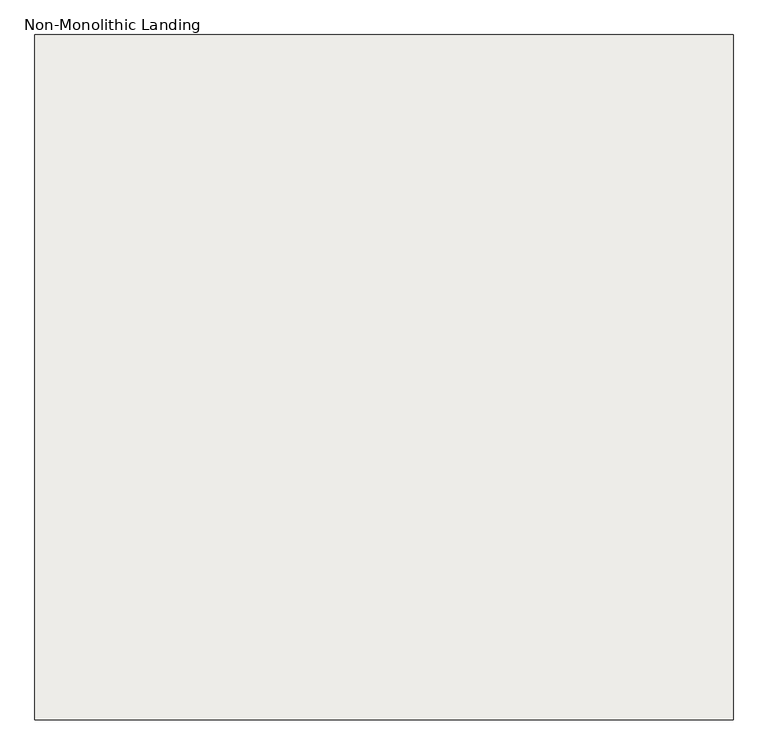
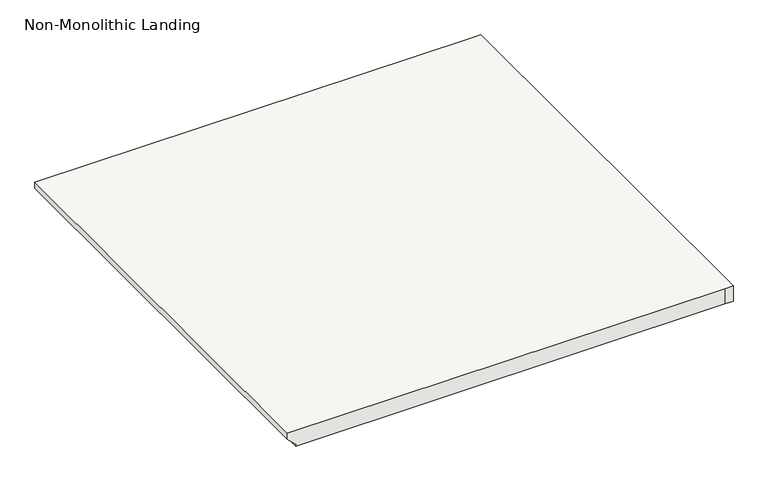
"""IFC4 building model written with IfcOpenShell, lengths in millimetres: slab geometry, Non-Monolithic Landing."""

from ifc_helpers import new_model, si_unit, origin, place, context, project, spatial, faceted_brep, source, transform, mapped, element, save


def non_monolithic_landing_daf59268(model_context):
    return source(origin(), model_context, "Body", "Brep", [
        faceted_brep([(-544901.7675922, -2942.7663899, 88.3478261), (-544876.3675922, -2942.7663899, 88.3478261), (-544876.3675922, -1571.1663899, 88.3478261), (-544901.7675922, -1571.1663899, 88.3478261), (-546273.3675922, -1571.1663899, 88.3478261), (-546273.3675922, -2942.7663899, 88.3478261), (-544876.3675922, -2942.7663899, 37.5478261), (-544901.7675922, -2942.7663899, 37.5478261), (-546247.9675922, -2942.7663899, 37.5478261), (-546247.9675922, -1571.1663899, 37.5478261), (-544901.7675922, -1571.1663899, 37.5478261), (-544876.3675922, -1571.1663899, 37.5478261), (-546273.3675922, -2942.7663899, 69.2978261), (-546247.9675922, -2942.7663899, 43.8978261), (-546247.9675922, -1571.1663899, 43.8978261), (-546273.3675922, -1571.1663899, 69.2978261)], [[[0, 1, 2, 3, 4, 5]], [[6, 7, 8, 9, 10, 11]], [[0, 5, 12, 13, 8, 7]], [[4, 3, 10, 9, 14, 15]], [[12, 5, 4, 15]], [[13, 12, 15, 14]], [[9, 8, 13, 14]], [[1, 0, 7, 6]], [[3, 2, 11, 10]], [[2, 1, 6, 11]]]),
    ])


if __name__ == "__main__":
    model = new_model("IFC4")
    model_context = context("Model", 3, world=origin())
    ifc_project = project(units=[si_unit("LENGTHUNIT", "METRE", prefix="MILLI")], contexts=[model_context])
    site = spatial("IfcSite", under=ifc_project)
    building = spatial("IfcBuilding", under=site)
    placement = place(None, origin())
    non_monolithic_landing_shape = non_monolithic_landing_daf59268(model_context)
    element("IfcSlab", 1, ObjectType="Non-Monolithic Landing", at=placement, inside=building, context=model_context, shape_type="MappedRepresentation", body=[
        mapped(non_monolithic_landing_shape, transform((0.0, 0.0, 0.0), x_axis=(1.0, 0.0, 0.0), y_axis=(0.0, 1.0, 0.0), z_axis=(0.0, 0.0, 1.0))),
    ])
    save(model, "model.ifc")
